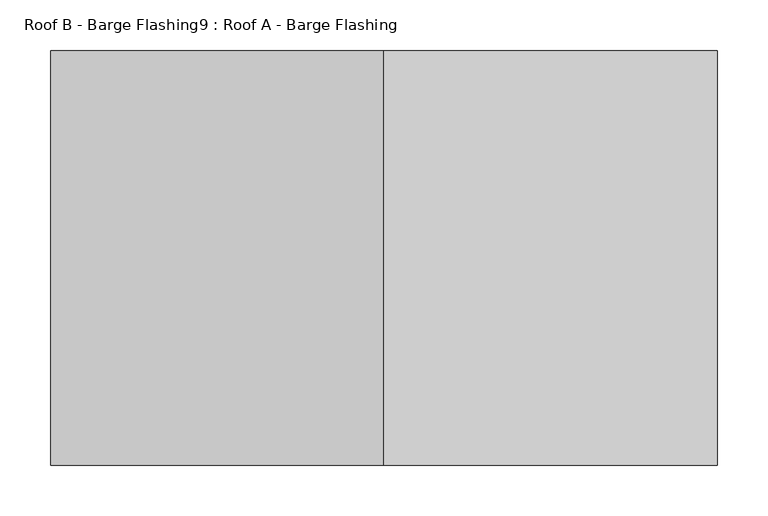
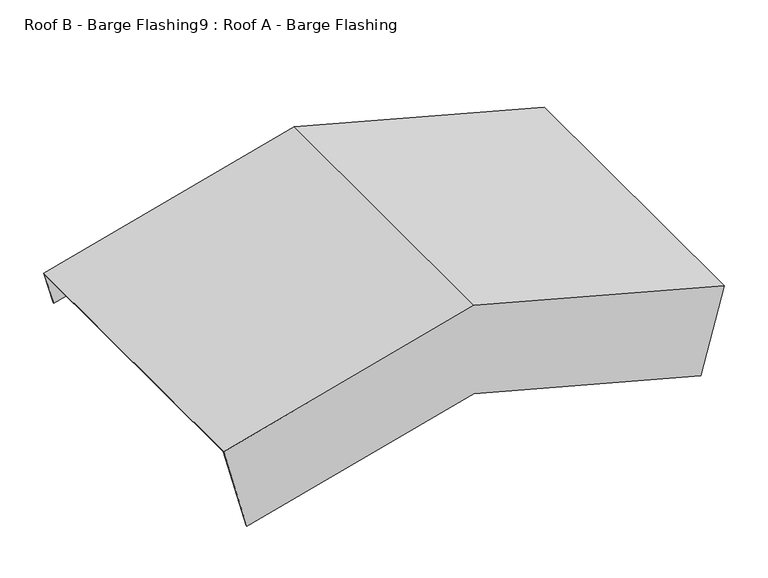
"""IFC4 building model written with IfcOpenShell, lengths in millimetres: proxy geometry, Roof B - Barge Flashing9 : Roof A - Barge Flashing."""

from ifc_helpers import new_model, si_unit, origin, place, context, project, spatial, faceted_brep, source, transform, mapped, element, save


def roof_b_barge_flashing9_roof_a_barge_flashing_0467e3dc(model_context):
    return source(origin(), model_context, "Body", "Brep", [
        faceted_brep([(27279.5315665, -24212.6573554, 4404.0728273), (27267.4964809, -24212.6573554, 4359.1572764), (27267.4964809, -24211.6573554, 4359.1572764), (27279.7903855, -24211.6573554, 4405.0387531), (27279.7903855, -24621.7919692, 4405.0387531), (27249.0556239, -24621.7919692, 4290.3350613), (27249.0556239, -24620.7919692, 4290.3350613), (27279.5315665, -24620.7919692, 4404.0728273), (26950.078983, -24212.6573554, 4492.349381), (26620.6263996, -24212.6573554, 4404.0728273), (26632.6614852, -24212.6573554, 4359.1572764), (26950.078983, -24212.6573554, 4444.2090386), (26950.078983, -24211.6573554, 4444.2090386), (26632.6614852, -24211.6573554, 4359.1572764), (26620.3675805, -24211.6573554, 4405.0387531), (26950.078983, -24211.6573554, 4493.3846572), (26950.078983, -24621.7919692, 4493.3846572), (26620.3675805, -24621.7919692, 4405.0387531), (26651.1023421, -24621.7919692, 4290.3350613), (26950.078983, -24621.7919692, 4370.4456108), (26950.078983, -24620.7919692, 4370.4456108), (26651.1023421, -24620.7919692, 4290.3350613), (26620.6263996, -24620.7919692, 4404.0728273), (26950.078983, -24620.7919692, 4492.349381)], [[[0, 1, 2, 3, 4, 5, 6, 7]], [[1, 0, 8, 9, 10, 11]], [[2, 1, 11, 12]], [[3, 2, 12, 13, 14, 15]], [[4, 3, 15, 16]], [[5, 4, 16, 17, 18, 19]], [[7, 6, 20, 21, 22, 23]], [[0, 7, 23, 8]], [[9, 22, 21, 18, 17, 14, 13, 10]], [[12, 11, 10, 13]], [[16, 15, 14, 17]], [[8, 23, 22, 9]], [[6, 5, 19, 20]], [[20, 19, 18, 21]]]),
    ])


if __name__ == "__main__":
    model = new_model("IFC4")
    model_context = context("Model", 3, world=origin())
    ifc_project = project(units=[si_unit("LENGTHUNIT", "METRE", prefix="MILLI")], contexts=[model_context])
    site = spatial("IfcSite", under=ifc_project)
    building = spatial("IfcBuilding", under=site)
    placement = place(None, origin())
    roof_b_barge_flashing9_roof_a_barge_flashing_shape = roof_b_barge_flashing9_roof_a_barge_flashing_0467e3dc(model_context)
    element("IfcBuildingElementProxy", 1, Name="Roof B - Barge Flashing9 : Roof A - Barge Flashing", ObjectType="Roof B - Barge Flashing9 : Roof A - Barge Flashing", at=placement, inside=building, context=model_context, shape_type="MappedRepresentation", body=[
        mapped(roof_b_barge_flashing9_roof_a_barge_flashing_shape, transform((0.0, 0.0, 0.0), x_axis=(1.0, 0.0, 0.0), y_axis=(0.0, 1.0, 0.0), z_axis=(0.0, 0.0, 1.0))),
    ])
    save(model, "model.ifc")
